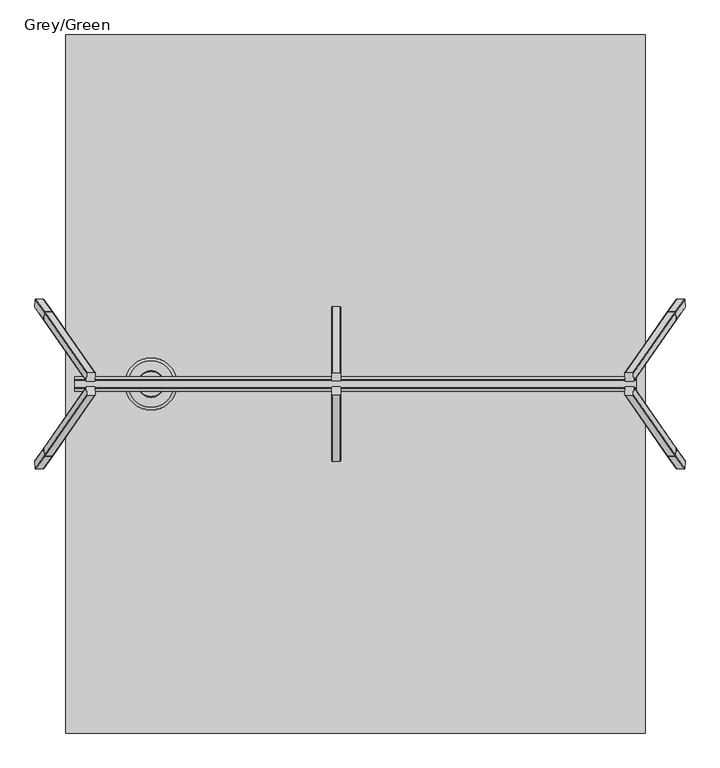
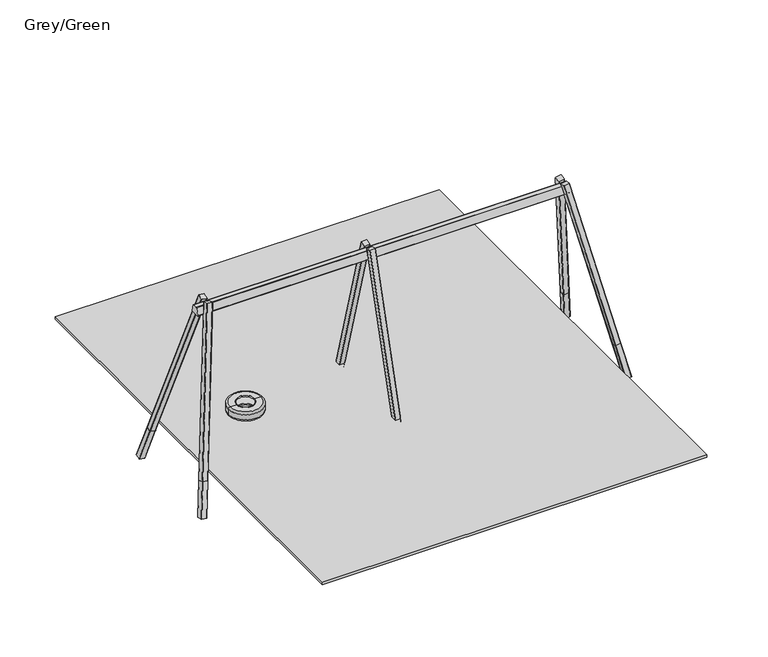
"""IFC4 building model written with IfcOpenShell, lengths in millimetres: furniture geometry, Grey/Green."""

from ifc_helpers import new_model, si_unit, point, frame, frame_2d, origin, place, context, project, spatial, polyline, circle_curve, ellipse_curve, trimmed, segment, composite_curve, outline, extrude, source, transform, mapped, element, save
from ifc_brep_helpers import plane_surface, cylinder_surface, revolved_surface, advanced_brep


def grey_green_2e19f7e9(model_context):
    return source(origin(), model_context, "Body", "SolidModel", [
        advanced_brep(
        [(-950.6834754, 0.0, 389.1), (-379.3165246, 0.0, 389.1), (-409.3165246, 0.0, 359.1), (-920.6834754, 0.0, 359.1), (-920.6834754, 0.0, 509.1), (-409.3165246, 0.0, 509.1), (-379.3165246, 0.0, 479.1), (-950.6834754, 0.0, 479.1), (-810.0, 0.0, 509.1), (-520.0, 0.0, 509.1), (-810.0, 0.0, 499.1), (-520.0, 0.0, 499.1), (-810.0, 0.0, 359.1), (-520.0, 0.0, 359.1), (-520.0, 0.0, 374.1), (-810.0, 0.0, 374.1)],
        [
            (0, 1, circle_curve(frame((-665.0, 0.0, 389.1), z_axis=(0.0, 0.0, -1.0), x_axis=(1.0, 0.0, 0.0)), 285.6834754)),
            (1, 2, circle_curve(frame((-409.3165246, 0.0, 389.1), z_axis=(0.0, 1.0, 0.0), x_axis=(1.0, 0.0, 0.0)), 30.0)),
            (2, 3, circle_curve(frame((-665.0, 0.0, 359.1), z_axis=(0.0, 0.0, 1.0), x_axis=(1.0, 0.0, 0.0)), 255.6834754)),
            (3, 0, circle_curve(frame((-920.6834754, 0.0, 389.1), z_axis=(0.0, 1.0, 0.0), x_axis=(-1.0, 0.0, 0.0)), 30.0)),
            (1, 0, circle_curve(frame((-665.0, 0.0, 389.1), z_axis=(0.0, 0.0, -1.0), x_axis=(1.0, 0.0, 0.0)), 285.6834754)),
            (3, 2, circle_curve(frame((-665.0, 0.0, 359.1), z_axis=(0.0, 0.0, 1.0), x_axis=(1.0, 0.0, 0.0)), 255.6834754)),
            (4, 5, circle_curve(frame((-665.0, 0.0, 509.1), z_axis=(0.0, 0.0, -1.0), x_axis=(1.0, 0.0, 0.0)), 255.6834754)),
            (5, 6, circle_curve(frame((-409.3165246, 0.0, 479.1), z_axis=(0.0, 1.0, 0.0), x_axis=(1.0, 0.0, 0.0)), 30.0)),
            (6, 7, circle_curve(frame((-665.0, 0.0, 479.1), z_axis=(0.0, 0.0, 1.0), x_axis=(1.0, 0.0, 0.0)), 285.6834754)),
            (7, 4, circle_curve(frame((-920.6834754, 0.0, 479.1), z_axis=(0.0, 1.0, 0.0), x_axis=(-1.0, 0.0, 0.0)), 30.0)),
            (5, 4, circle_curve(frame((-665.0, 0.0, 509.1), z_axis=(0.0, 0.0, -1.0), x_axis=(1.0, 0.0, 0.0)), 255.6834754)),
            (7, 6, circle_curve(frame((-665.0, 0.0, 479.1), z_axis=(0.0, 0.0, 1.0), x_axis=(1.0, 0.0, 0.0)), 285.6834754)),
            (8, 9, circle_curve(frame((-665.0, 0.0, 509.1), z_axis=(0.0, 0.0, -1.0), x_axis=(1.0, 0.0, 0.0)), 145.0)),
            (9, 5),
            (4, 8),
            (9, 8, circle_curve(frame((-665.0, 0.0, 509.1), z_axis=(0.0, 0.0, -1.0), x_axis=(1.0, 0.0, 0.0)), 145.0)),
            (10, 11, circle_curve(frame((-665.0, 0.0, 499.1), z_axis=(0.0, 0.0, -1.0), x_axis=(1.0, 0.0, 0.0)), 145.0)),
            (11, 9, circle_curve(frame((-520.0, 0.0, 504.1), z_axis=(0.0, 1.0, 0.0), x_axis=(1.0, 0.0, 0.0)), 5.0)),
            (8, 10, circle_curve(frame((-810.0, 0.0, 504.1), z_axis=(0.0, 1.0, 0.0), x_axis=(-1.0, 0.0, 0.0)), 5.0)),
            (11, 10, circle_curve(frame((-665.0, 0.0, 499.1), z_axis=(0.0, 0.0, -1.0), x_axis=(1.0, 0.0, 0.0)), 145.0)),
            (12, 13, circle_curve(frame((-665.0, 0.0, 359.1), z_axis=(0.0, 0.0, -1.0), x_axis=(1.0, 0.0, 0.0)), 145.0)),
            (13, 14, circle_curve(frame((-516.1749585, 0.0, 366.6), z_axis=(0.0, 1.0, 0.0), x_axis=(1.0, 0.0, 0.0)), 8.4190821)),
            (14, 15, circle_curve(frame((-665.0, 0.0, 374.1), z_axis=(0.0, 0.0, 1.0), x_axis=(1.0, 0.0, 0.0)), 145.0)),
            (15, 12, circle_curve(frame((-813.8250415, 0.0, 366.6), z_axis=(0.0, 1.0, 0.0), x_axis=(-1.0, 0.0, 0.0)), 8.4190821)),
            (13, 12, circle_curve(frame((-665.0, 0.0, 359.1), z_axis=(0.0, 0.0, -1.0), x_axis=(1.0, 0.0, 0.0)), 145.0)),
            (15, 14, circle_curve(frame((-665.0, 0.0, 374.1), z_axis=(0.0, 0.0, 1.0), x_axis=(1.0, 0.0, 0.0)), 145.0)),
            (2, 13),
            (12, 3),
            (6, 1),
            (0, 7),
            (14, 11, circle_curve(frame((-520.0, 0.0, 436.6), z_axis=(0.0, -1.0, 0.0), x_axis=(-1.0, 0.0, 0.0)), 62.5)),
            (10, 15, circle_curve(frame((-810.0, 0.0, 436.6), z_axis=(0.0, -1.0, 0.0), x_axis=(1.0, 0.0, 0.0)), 62.5)),
        ],
        [
            revolved_surface(trimmed(ellipse_curve(frame((-409.3165246, 0.0, 389.1), z_axis=(0.0, -1.0, 0.0), x_axis=(1.0, 0.0, 0.0)), 30.0, 30.0), [point((-409.3165246, 0.0, 359.1))], [point((-379.3165246, 0.0, 389.1))], True, "CARTESIAN"), (-665.0, 0.0, 2968.1581012), (0.0, 0.0, 1.0)),
            revolved_surface(trimmed(ellipse_curve(frame((-409.3165246, 0.0, 479.1), z_axis=(0.0, -1.0, 0.0), x_axis=(1.0, 0.0, 0.0)), 30.0, 30.0), [point((-379.3165246, 0.0, 479.1))], [point((-409.3165246, 0.0, 509.1))], True, "CARTESIAN"), (-665.0, 0.0, 2968.1581012), (0.0, 0.0, 1.0)),
            plane_surface(frame((-665.0, 0.0, 509.1), z_axis=(0.0, 0.0, 1.0), x_axis=(1.0, 0.0, 0.0))),
            revolved_surface(trimmed(ellipse_curve(frame((-520.0, 0.0, 504.1), z_axis=(0.0, -1.0, 0.0), x_axis=(1.0, 0.0, 0.0)), 5.0, 5.0), [point((-520.0, 0.0, 509.1))], [point((-520.0, 0.0, 499.1))], True, "CARTESIAN"), (-665.0, 0.0, 2968.1581012), (0.0, 0.0, 1.0)),
            revolved_surface(trimmed(ellipse_curve(frame((-516.1749585, 0.0, 366.6), z_axis=(0.0, -1.0, 0.0), x_axis=(1.0, 0.0, 0.0)), 8.4190821, 8.4190821), [point((-520.0, 0.0, 374.1))], [point((-520.0, 0.0, 359.1))], True, "CARTESIAN"), (-665.0, 0.0, 2968.1581012), (0.0, 0.0, 1.0)),
            plane_surface(frame((-665.0, 0.0, 359.1), z_axis=(0.0, 0.0, -1.0), x_axis=(1.0, 0.0, 0.0))),
            cylinder_surface(frame((-665.0, 0.0, 2968.1581012), z_axis=(0.0, 0.0, 1.0), x_axis=(1.0, 0.0, 0.0)), 285.6834754),
            revolved_surface(trimmed(ellipse_curve(frame((-520.0, 0.0, 436.6), z_axis=(0.0, 1.0, 0.0), x_axis=(-1.0, 0.0, 0.0)), 62.5, 62.5), [point((-520.0, 0.0, 499.1))], [point((-520.0, 0.0, 374.1))], True, "CARTESIAN"), (-665.0, 0.0, 2968.1581012), (0.0, 0.0, 1.0)),
        ],
        [
            (0, [[1, 2, 3, 4]]),
            (0, [[5, -4, 6, -2]]),
            (1, [[7, 8, 9, 10]]),
            (1, [[11, -10, 12, -8]]),
            (2, [[13, 14, -7, 15]]),
            (2, [[16, -15, -11, -14]]),
            (3, [[17, 18, -13, 19]]),
            (3, [[20, -19, -16, -18]]),
            (4, [[21, 22, 23, 24]]),
            (4, [[25, -24, 26, -22]]),
            (5, [[-3, 27, -21, 28]]),
            (5, [[-6, -28, -25, -27]]),
            (6, [[-9, 29, -1, 30]]),
            (6, [[-12, -30, -5, -29]]),
            (7, [[-23, 31, -17, 32]]),
            (7, [[-26, -32, -20, -31]]),
        ],
    ),
        extrude(outline(composite_curve([segment(polyline([(42.5, -47.5038196), (-42.5, -47.5038196)]), True, "CONTINUOUS"), segment(trimmed(circle_curve(frame_2d((-42.5, -42.5038196)), 5.0), [point((-42.5, -47.5038196))], [point((-47.5, -42.5038196))], False, "CARTESIAN"), True, "CONTINUOUS"), segment(polyline([(-47.5, -42.5038196), (-47.5, 42.4961804)]), True, "CONTINUOUS"), segment(trimmed(circle_curve(frame_2d((-42.5, 42.4961804)), 5.0), [point((-47.5, 42.4961804))], [point((-42.5, 47.4961804))], False, "CARTESIAN"), True, "CONTINUOUS"), segment(polyline([(-42.5, 47.4961804), (42.5, 47.4961804)]), True, "CONTINUOUS"), segment(trimmed(circle_curve(frame_2d((42.5, 42.4961804)), 5.0), [point((42.5, 47.4961804))], [point((47.5, 42.4961804))], False, "CARTESIAN"), True, "CONTINUOUS"), segment(polyline([(47.5, 42.4961804), (47.5, -42.5038196)]), True, "CONTINUOUS"), segment(trimmed(circle_curve(frame_2d((42.5, -42.5038196)), 5.0), [point((47.5, -42.5038196))], [point((42.5, -47.5038196))], False, "CARTESIAN"), True, "CONTINUOUS")], self_intersect=False)), frame((1365.0, -959.0896637, -555.2525223), z_axis=(0.0, 0.27491436855892437, 0.9614687150187716), x_axis=(1.0, 0.0, 0.0)), (0.0, 0.0, 1.0), 542.6764169),
        extrude(outline(composite_curve([segment(trimmed(circle_curve(frame_2d((42.5, -5.0)), 5.0), [point((42.5, 0.0))], [point((47.5, -5.0))], False, "CARTESIAN"), True, "CONTINUOUS"), segment(polyline([(47.5, -5.0), (47.5, -90.0)]), True, "CONTINUOUS"), segment(trimmed(circle_curve(frame_2d((42.5, -90.0)), 5.0), [point((47.5, -90.0))], [point((42.5, -95.0))], False, "CARTESIAN"), True, "CONTINUOUS"), segment(polyline([(42.5, -95.0), (-42.5, -95.0)]), True, "CONTINUOUS"), segment(trimmed(circle_curve(frame_2d((-42.5, -90.0)), 5.0), [point((-42.5, -95.0))], [point((-47.5, -90.0))], False, "CARTESIAN"), True, "CONTINUOUS"), segment(polyline([(-47.5, -90.0), (-47.5, -5.0)]), True, "CONTINUOUS"), segment(trimmed(circle_curve(frame_2d((-42.5, -5.0)), 5.0), [point((-47.5, -5.0))], [point((-42.5, 0.0))], False, "CARTESIAN"), True, "CONTINUOUS"), segment(polyline([(-42.5, 0.0), (42.5, 0.0)]), True, "CONTINUOUS")], self_intersect=False)), frame((1365.0, -764.2339976, -46.5357609), z_axis=(0.0, 0.27491436855892437, 0.9614687150187716), x_axis=(1.0, 0.0, 0.0)), (0.0, 0.0, 1.0), 2660.0),
        extrude(outline(composite_curve([segment(trimmed(circle_curve(frame_2d((42.5, 42.5038196)), 5.0), [point((42.5, 47.5038196))], [point((47.5, 42.5038196))], False, "CARTESIAN"), True, "CONTINUOUS"), segment(polyline([(47.5, 42.5038196), (47.5, -42.4961803)]), True, "CONTINUOUS"), segment(trimmed(circle_curve(frame_2d((42.5, -42.4961803)), 5.0), [point((47.5, -42.4961803))], [point((42.5, -47.4961804))], False, "CARTESIAN"), True, "CONTINUOUS"), segment(polyline([(42.5, -47.4961804), (-42.5, -47.4961804)]), True, "CONTINUOUS"), segment(trimmed(circle_curve(frame_2d((-42.5, -42.4961803)), 5.0), [point((-42.5, -47.4961804))], [point((-47.5, -42.4961803))], False, "CARTESIAN"), True, "CONTINUOUS"), segment(polyline([(-47.5, -42.4961803), (-47.5, 42.5038196)]), True, "CONTINUOUS"), segment(trimmed(circle_curve(frame_2d((-42.5, 42.5038196)), 5.0), [point((-47.5, 42.5038196))], [point((-42.5, 47.5038196))], False, "CARTESIAN"), True, "CONTINUOUS"), segment(polyline([(-42.5, 47.5038196), (42.5, 47.5038196)]), True, "CONTINUOUS")], self_intersect=False)), frame((1365.0, 959.0625412, -555.2525223), z_axis=(0.0, -0.27491436855892437, 0.9614687150187716), x_axis=(1.0, 0.0, 0.0)), (0.0, 0.0, 1.0), 542.6764169),
        extrude(outline(composite_curve([segment(polyline([(42.5, 0.0), (-42.5, 0.0)]), True, "CONTINUOUS"), segment(trimmed(circle_curve(frame_2d((-42.5, 4.9999999)), 5.0), [point((-42.5, 0.0))], [point((-47.5, 4.9999999))], False, "CARTESIAN"), True, "CONTINUOUS"), segment(polyline([(-47.5, 4.9999999), (-47.5, 90.0)]), True, "CONTINUOUS"), segment(trimmed(circle_curve(frame_2d((-42.5, 90.0)), 5.0), [point((-47.5, 90.0))], [point((-42.5, 95.0))], False, "CARTESIAN"), True, "CONTINUOUS"), segment(polyline([(-42.5, 95.0), (42.5, 95.0)]), True, "CONTINUOUS"), segment(trimmed(circle_curve(frame_2d((42.5, 90.0)), 5.0), [point((42.5, 95.0))], [point((47.5, 90.0))], False, "CARTESIAN"), True, "CONTINUOUS"), segment(polyline([(47.5, 90.0), (47.5, 4.9999999)]), True, "CONTINUOUS"), segment(trimmed(circle_curve(frame_2d((42.5, 4.9999999)), 5.0), [point((47.5, 4.9999999))], [point((42.5, 0.0))], False, "CARTESIAN"), True, "CONTINUOUS")], self_intersect=False)), frame((1365.0, 764.2068449, -46.4407986), z_axis=(0.0, -0.27491436855892437, 0.9614687150187716), x_axis=(1.0, 0.0, 0.0)), (0.0, 0.0, 1.0), 2659.5101222),
        extrude(outline(composite_curve([segment(polyline([(-37.576483, -90.0), (-37.576483, -5.0)]), True, "CONTINUOUS"), segment(trimmed(circle_curve(frame_2d((-32.5764831, -5.0000001)), 5.0), [point((-37.576483, -5.0))], [point((-32.5764831, 0.0))], False, "CARTESIAN"), True, "CONTINUOUS"), segment(polyline([(-32.5764831, 0.0), (52.423517, 0.0)]), True, "CONTINUOUS"), segment(trimmed(circle_curve(frame_2d((52.423517, -5.0000001)), 5.0), [point((52.423517, 0.0))], [point((57.4235169, -5.0000001))], False, "CARTESIAN"), True, "CONTINUOUS"), segment(polyline([(57.4235169, -5.0000001), (57.423517, -90.0)]), True, "CONTINUOUS"), segment(trimmed(circle_curve(frame_2d((52.423517, -90.0)), 5.0), [point((57.423517, -90.0))], [point((52.423517, -95.0))], False, "CARTESIAN"), True, "CONTINUOUS"), segment(polyline([(52.423517, -95.0), (-32.5764831, -95.0)]), True, "CONTINUOUS"), segment(trimmed(circle_curve(frame_2d((-32.576483, -90.0)), 5.0), [point((-32.5764831, -95.0))], [point((-37.576483, -90.0))], False, "CARTESIAN"), True, "CONTINUOUS")], self_intersect=False)), frame((5131.0135283, -838.9365244, -569.0672306), z_axis=(-0.17396165925896223, 0.24987304883695344, 0.9525233858403658), x_axis=(0.9837286289495357, 0.0, 0.17966074859319375)), (0.0, 0.0, 1.0), 560.0),
        extrude(outline(composite_curve([segment(polyline([(549.3354975, 15.6129077), (549.3354976, -69.3870923)]), True, "CONTINUOUS"), segment(trimmed(circle_curve(frame_2d((544.3354976, -69.3870923)), 5.0), [point((549.3354976, -69.3870923))], [point((544.3354976, -74.3870923))], False, "CARTESIAN"), True, "CONTINUOUS"), segment(polyline([(544.3354976, -74.3870923), (459.3354976, -74.3870923)]), True, "CONTINUOUS"), segment(trimmed(circle_curve(frame_2d((459.3354976, -69.3870923)), 5.0), [point((459.3354976, -74.3870923))], [point((454.3354976, -69.3870923))], False, "CARTESIAN"), True, "CONTINUOUS"), segment(polyline([(454.3354976, -69.3870923), (454.3354976, 15.6129077)]), True, "CONTINUOUS"), segment(trimmed(circle_curve(frame_2d((459.3354976, 15.6129077)), 5.0), [point((454.3354976, 15.6129077))], [point((459.3354976, 20.6129076))], False, "CARTESIAN"), True, "CONTINUOUS"), segment(polyline([(459.3354976, 20.6129076), (544.3354976, 20.6129077)]), True, "CONTINUOUS"), segment(trimmed(circle_curve(frame_2d((544.3354976, 15.6129077)), 5.0), [point((544.3354976, 20.6129077))], [point((549.3354975, 15.6129077))], False, "CARTESIAN"), True, "CONTINUOUS")], self_intersect=False)), frame((4548.7617384, -718.9666546, -118.9646067), z_axis=(-0.1739616592589606, 0.24987304883695416, 0.9525233858403659), x_axis=(0.9837286289495357, 0.0, 0.1796607485931937)), (0.0, 0.0, 1.0), 2680.0),
        extrude(outline(composite_curve([segment(trimmed(circle_curve(frame_2d((-32.576483, 90.0)), 5.0), [point((-37.576483, 90.0))], [point((-32.5764831, 95.0))], False, "CARTESIAN"), True, "CONTINUOUS"), segment(polyline([(-32.5764831, 95.0), (52.423517, 95.0)]), True, "CONTINUOUS"), segment(trimmed(circle_curve(frame_2d((52.423517, 90.0)), 5.0), [point((52.423517, 95.0))], [point((57.423517, 90.0))], False, "CARTESIAN"), True, "CONTINUOUS"), segment(polyline([(57.423517, 90.0), (57.4235169, 5.0000001)]), True, "CONTINUOUS"), segment(trimmed(circle_curve(frame_2d((52.423517, 5.0000001)), 5.0), [point((57.4235169, 5.0000001))], [point((52.423517, 0.0))], False, "CARTESIAN"), True, "CONTINUOUS"), segment(polyline([(52.423517, 0.0), (-32.5764831, 0.0)]), True, "CONTINUOUS"), segment(trimmed(circle_curve(frame_2d((-32.5764831, 5.0000001)), 5.0), [point((-32.5764831, 0.0))], [point((-37.576483, 5.0))], False, "CARTESIAN"), True, "CONTINUOUS"), segment(polyline([(-37.576483, 5.0), (-37.576483, 90.0)]), True, "CONTINUOUS")], self_intersect=False)), frame((5131.0135283, 838.9365244, -569.0672306), z_axis=(-0.17396165925896223, -0.24987304883695344, 0.9525233858403658), x_axis=(0.9837286289495357, 0.0, 0.17966074859319375)), (0.0, 0.0, 1.0), 560.0),
        extrude(outline(composite_curve([segment(trimmed(circle_curve(frame_2d((544.3354976, -15.6129077)), 5.0), [point((549.3354975, -15.6129077))], [point((544.3354976, -20.6129077))], False, "CARTESIAN"), True, "CONTINUOUS"), segment(polyline([(544.3354976, -20.6129077), (459.3354976, -20.6129076)]), True, "CONTINUOUS"), segment(trimmed(circle_curve(frame_2d((459.3354976, -15.6129077)), 5.0), [point((459.3354976, -20.6129076))], [point((454.3354976, -15.6129077))], False, "CARTESIAN"), True, "CONTINUOUS"), segment(polyline([(454.3354976, -15.6129077), (454.3354976, 69.3870923)]), True, "CONTINUOUS"), segment(trimmed(circle_curve(frame_2d((459.3354976, 69.3870923)), 5.0), [point((454.3354976, 69.3870923))], [point((459.3354976, 74.3870923))], False, "CARTESIAN"), True, "CONTINUOUS"), segment(polyline([(459.3354976, 74.3870923), (544.3354976, 74.3870923)]), True, "CONTINUOUS"), segment(trimmed(circle_curve(frame_2d((544.3354976, 69.3870923)), 5.0), [point((544.3354976, 74.3870923))], [point((549.3354976, 69.3870923))], False, "CARTESIAN"), True, "CONTINUOUS"), segment(polyline([(549.3354976, 69.3870923), (549.3354975, -15.6129077)]), True, "CONTINUOUS")], self_intersect=False)), frame((4548.7617384, 718.9666546, -118.9646067), z_axis=(-0.1739616592589606, -0.24987304883695416, 0.9525233858403659), x_axis=(0.9837286289495357, 0.0, 0.1796607485931937)), (0.0, 0.0, 1.0), 2680.0),
        extrude(outline(composite_curve([segment(polyline([(-37.576483, -90.0), (-37.576483, -5.0)]), True, "CONTINUOUS"), segment(trimmed(circle_curve(frame_2d((-32.5764831, -5.0000001)), 5.0), [point((-37.576483, -5.0))], [point((-32.5764831, 0.0))], False, "CARTESIAN"), True, "CONTINUOUS"), segment(polyline([(-32.5764831, 0.0), (52.423517, 0.0)]), True, "CONTINUOUS"), segment(trimmed(circle_curve(frame_2d((52.423517, -5.0000001)), 5.0), [point((52.423517, 0.0))], [point((57.4235169, -5.0000001))], False, "CARTESIAN"), True, "CONTINUOUS"), segment(polyline([(57.4235169, -5.0000001), (57.423517, -90.0)]), True, "CONTINUOUS"), segment(trimmed(circle_curve(frame_2d((52.423517, -90.0)), 5.0), [point((57.423517, -90.0))], [point((52.423517, -95.0))], False, "CARTESIAN"), True, "CONTINUOUS"), segment(polyline([(52.423517, -95.0), (-32.5764831, -95.0)]), True, "CONTINUOUS"), segment(trimmed(circle_curve(frame_2d((-32.576483, -90.0)), 5.0), [point((-32.5764831, -95.0))], [point((-37.576483, -90.0))], False, "CARTESIAN"), True, "CONTINUOUS")], self_intersect=False)), frame((-1881.0135283, 838.9365244, -569.0672306), z_axis=(0.17396165925896223, -0.24987304883695344, 0.9525233858403658), x_axis=(-0.9837286289495357, 0.0, 0.17966074859319375)), (0.0, 0.0, 1.0), 560.0),
        extrude(outline(composite_curve([segment(polyline([(549.3354975, 15.6129077), (549.3354976, -69.3870923)]), True, "CONTINUOUS"), segment(trimmed(circle_curve(frame_2d((544.3354976, -69.3870923)), 5.0), [point((549.3354976, -69.3870923))], [point((544.3354976, -74.3870923))], False, "CARTESIAN"), True, "CONTINUOUS"), segment(polyline([(544.3354976, -74.3870923), (459.3354976, -74.3870923)]), True, "CONTINUOUS"), segment(trimmed(circle_curve(frame_2d((459.3354976, -69.3870923)), 5.0), [point((459.3354976, -74.3870923))], [point((454.3354976, -69.3870923))], False, "CARTESIAN"), True, "CONTINUOUS"), segment(polyline([(454.3354976, -69.3870923), (454.3354976, 15.6129077)]), True, "CONTINUOUS"), segment(trimmed(circle_curve(frame_2d((459.3354976, 15.6129077)), 5.0), [point((454.3354976, 15.6129077))], [point((459.3354976, 20.6129076))], False, "CARTESIAN"), True, "CONTINUOUS"), segment(polyline([(459.3354976, 20.6129076), (544.3354976, 20.6129077)]), True, "CONTINUOUS"), segment(trimmed(circle_curve(frame_2d((544.3354976, 15.6129077)), 5.0), [point((544.3354976, 20.6129077))], [point((549.3354975, 15.6129077))], False, "CARTESIAN"), True, "CONTINUOUS")], self_intersect=False)), frame((-1298.7617384, 718.9666546, -118.9646067), z_axis=(0.1739616592589606, -0.24987304883695416, 0.9525233858403659), x_axis=(-0.9837286289495357, 0.0, 0.1796607485931937)), (0.0, 0.0, 1.0), 2680.0),
        extrude(outline(composite_curve([segment(trimmed(circle_curve(frame_2d((-32.576483, 90.0)), 5.0), [point((-37.576483, 90.0))], [point((-32.5764831, 95.0))], False, "CARTESIAN"), True, "CONTINUOUS"), segment(polyline([(-32.5764831, 95.0), (52.423517, 95.0)]), True, "CONTINUOUS"), segment(trimmed(circle_curve(frame_2d((52.423517, 90.0)), 5.0), [point((52.423517, 95.0))], [point((57.423517, 90.0))], False, "CARTESIAN"), True, "CONTINUOUS"), segment(polyline([(57.423517, 90.0), (57.4235169, 5.0000001)]), True, "CONTINUOUS"), segment(trimmed(circle_curve(frame_2d((52.423517, 5.0000001)), 5.0), [point((57.4235169, 5.0000001))], [point((52.423517, 0.0))], False, "CARTESIAN"), True, "CONTINUOUS"), segment(polyline([(52.423517, 0.0), (-32.5764831, 0.0)]), True, "CONTINUOUS"), segment(trimmed(circle_curve(frame_2d((-32.5764831, 5.0000001)), 5.0), [point((-32.5764831, 0.0))], [point((-37.576483, 5.0))], False, "CARTESIAN"), True, "CONTINUOUS"), segment(polyline([(-37.576483, 5.0), (-37.576483, 90.0)]), True, "CONTINUOUS")], self_intersect=False)), frame((-1881.0135283, -838.9365244, -569.0672306), z_axis=(0.17396165925896223, 0.24987304883695344, 0.9525233858403658), x_axis=(-0.9837286289495357, 0.0, 0.17966074859319375)), (0.0, 0.0, 1.0), 560.0),
        extrude(outline(composite_curve([segment(polyline([(74.5884234, 2342.2010506), (-74.4738435, 2342.2010506)]), True, "CONTINUOUS"), segment(trimmed(circle_curve(frame_2d((-74.4738435, 2347.2010506)), 5.0), [point((-74.4738435, 2342.2010506))], [point((-79.2861613, 2348.5581053))], False, "CARTESIAN"), True, "CONTINUOUS"), segment(polyline([(-79.2861613, 2348.5581053), (-44.854442, 2470.6581053)]), True, "CONTINUOUS"), segment(trimmed(circle_curve(frame_2d((-40.0421242, 2469.3010506)), 5.0), [point((-44.854442, 2470.6581053))], [point((-40.0421242, 2474.3010506))], False, "CARTESIAN"), True, "CONTINUOUS"), segment(polyline([(-40.0421242, 2474.3010506), (39.6761648, 2474.3010506)]), True, "CONTINUOUS"), segment(trimmed(circle_curve(frame_2d((39.6761648, 2469.3010506)), 5.0), [point((39.6761648, 2474.3010506))], [point((44.4835084, 2470.6756225))], False, "CARTESIAN"), True, "CONTINUOUS"), segment(polyline([(44.4835084, 2470.6756225), (79.395767, 2348.5756225)]), True, "CONTINUOUS"), segment(trimmed(circle_curve(frame_2d((74.5884234, 2347.2010506)), 5.0), [point((79.395767, 2348.5756225))], [point((74.5884234, 2342.2010506))], False, "CARTESIAN"), True, "CONTINUOUS")], self_intersect=False)), frame((-1500.0, 0.0, 0.0), z_axis=(1.0, 0.0, 0.0), x_axis=(0.0, 1.0, 0.0)), (0.0, 0.0, 1.0), 6150.0),
        extrude(outline(composite_curve([segment(trimmed(circle_curve(frame_2d((544.3354976, -15.6129077)), 5.0), [point((549.3354975, -15.6129077))], [point((544.3354976, -20.6129077))], False, "CARTESIAN"), True, "CONTINUOUS"), segment(polyline([(544.3354976, -20.6129077), (459.3354976, -20.6129076)]), True, "CONTINUOUS"), segment(trimmed(circle_curve(frame_2d((459.3354976, -15.6129077)), 5.0), [point((459.3354976, -20.6129076))], [point((454.3354976, -15.6129077))], False, "CARTESIAN"), True, "CONTINUOUS"), segment(polyline([(454.3354976, -15.6129077), (454.3354976, 69.3870923)]), True, "CONTINUOUS"), segment(trimmed(circle_curve(frame_2d((459.3354976, 69.3870923)), 5.0), [point((454.3354976, 69.3870923))], [point((459.3354976, 74.3870923))], False, "CARTESIAN"), True, "CONTINUOUS"), segment(polyline([(459.3354976, 74.3870923), (544.3354976, 74.3870923)]), True, "CONTINUOUS"), segment(trimmed(circle_curve(frame_2d((544.3354976, 69.3870923)), 5.0), [point((544.3354976, 74.3870923))], [point((549.3354976, 69.3870923))], False, "CARTESIAN"), True, "CONTINUOUS"), segment(polyline([(549.3354976, 69.3870923), (549.3354975, -15.6129077)]), True, "CONTINUOUS")], self_intersect=False)), frame((-1298.7617384, -718.9666546, -118.9646067), z_axis=(0.1739616592589606, 0.24987304883695416, 0.9525233858403659), x_axis=(-0.9837286289495357, 0.0, 0.1796607485931937)), (0.0, 0.0, 1.0), 2680.0),
        extrude(outline(polyline([(4750.0, 3825.0), (4750.0, -3825.0), (-1600.0, -3825.0), (-1600.0, 3825.0), (4750.0, 3825.0)])), frame((0.0, 0.0, -40.0), z_axis=(0.0, 0.0, 1.0), x_axis=(1.0, 0.0, 0.0)), (0.0, 0.0, 1.0), 41.0),
    ])


if __name__ == "__main__":
    model = new_model("IFC4")
    model_context = context("Model", 3, world=origin())
    ifc_project = project(units=[si_unit("LENGTHUNIT", "METRE", prefix="MILLI")], contexts=[model_context])
    site = spatial("IfcSite", under=ifc_project)
    building = spatial("IfcBuilding", under=site)
    placement = place(None, origin())
    grey_green_shape = grey_green_2e19f7e9(model_context)
    element("IfcFurniture", 1, ObjectType="Grey/Green", at=placement, inside=building, context=model_context, shape_type="MappedRepresentation", body=[
        mapped(grey_green_shape, transform((0.0, 0.0, 0.0), x_axis=(1.0, 0.0, 0.0), y_axis=(0.0, 1.0, 0.0), z_axis=(0.0, 0.0, 1.0))),
    ])
    save(model, "model.ifc")
